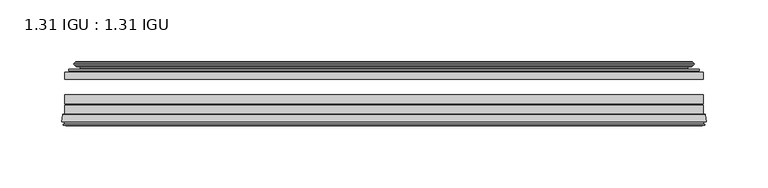
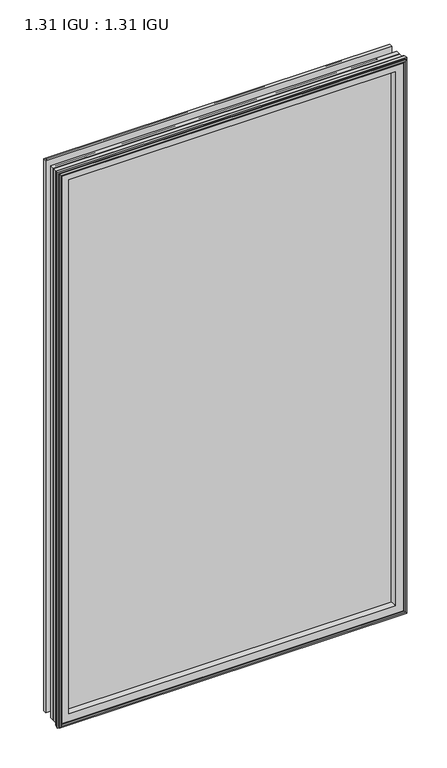
"""IFC4 building model written with IfcOpenShell, lengths in millimetres: plate geometry, 1.31 IGU : 1.31 IGU."""

from ifc_helpers import new_model, si_unit, frame, origin, place, context, project, spatial, polyline, ellipse_curve, outline, extrude, source, transform, mapped, element, save
from ifc_brep_helpers import plane_surface, cylinder_surface, revolved_surface, advanced_brep


def plate_1_31_igu_1_31_igu_747bbb54(model_context):
    return source(origin(), model_context, "Body", "SolidModel", [
        extrude(outline(polyline([(258.7575649, -44.8960875), (258.7575649, -50.4332875), (-258.7625, -50.4332875), (-258.7625, -44.8960875), (258.7575649, -44.8960875)])), frame((0.0, 0.0, -14.2875), z_axis=(0.0, 0.0, 1.0), x_axis=(1.0, 0.0, 0.0)), (0.0, 0.0, 1.0), 873.1260851),
        extrude(outline(polyline([(-258.7625, -78.7796875), (-258.7625, -71.7692875), (258.7575649, -71.7692875), (258.7575649, -78.7796875), (-258.7625, -78.7796875)])), frame((0.0, 0.0, -14.2875), z_axis=(0.0, 0.0, 1.0), x_axis=(1.0, 0.0, 0.0)), (0.0, 0.0, 1.0), 873.1260851),
        extrude(outline(polyline([(-258.7625, -70.2452875), (-258.7625, -63.1332875), (258.7575649, -63.1332875), (258.7575649, -70.2452875), (-258.7625, -70.2452875)])), frame((0.0, 0.0, -14.2875), z_axis=(0.0, 0.0, 1.0), x_axis=(1.0, 0.0, 0.0)), (0.0, 0.0, 1.0), 873.1260851),
        advanced_brep(
        [(-261.3094039, -85.1296875, 861.385489), (-260.6146201, -79.4711276, 860.6907053), (-260.6146201, -79.4711276, -16.1396201), (-261.3094039, -85.1296875, -16.8344039), (-258.9218039, -87.1207518, 858.997889), (-259.3790039, -85.1296875, 859.455089), (-259.3790039, -85.1296875, -14.9040039), (-258.9218039, -87.1207518, -14.4468039), (-259.9231658, -86.8524376, 859.9992509), (-259.9231658, -86.8524376, -15.4481658), (-260.1664039, -87.7602147, 860.242489), (-260.1664039, -87.7602147, -15.6914039), (-258.1344039, -88.3046875, 858.210489), (-258.1344039, -88.3046875, -13.6594039), (-256.1024039, -87.7602147, 856.178489), (-256.1024039, -87.7602147, -11.6274039), (-256.3456421, -86.8524376, 856.4217272), (-256.3456421, -86.8524376, -11.8706421), (-257.3470039, -87.1207518, 857.423089), (-257.3470039, -87.1207518, -12.8720039), (-256.8898039, -85.1296875, 856.965889), (-256.8898039, -85.1296875, -12.4148039), (-259.8330893, -78.7796875, 859.9091744), (-259.8330893, -78.7796875, -15.3580893), (260.6146201, -79.4711276, -16.1396201), (261.3094039, -85.1296875, -16.8344039), (259.3790039, -85.1296875, -14.9040039), (258.9218039, -87.1207518, -14.4468039), (259.9231658, -86.8524376, -15.4481658), (260.1664039, -87.7602147, -15.6914039), (258.1344039, -88.3046875, -13.6594039), (256.1024039, -87.7602147, -11.6274039), (256.3456421, -86.8524376, -11.8706421), (257.3470039, -87.1207518, -12.8720039), (256.8898039, -85.1296875, -12.4148039), (259.8330893, -78.7796875, -15.3580893), (260.6146201, -79.4711276, 860.6907053), (261.3094039, -85.1296875, 861.385489), (259.3790039, -85.1296875, 859.455089), (258.9218039, -87.1207518, 858.997889), (259.9231658, -86.8524376, 859.9992509), (260.1664039, -87.7602147, 860.242489), (258.1344039, -88.3046875, 858.210489), (256.1024039, -87.7602147, 856.178489), (256.3456421, -86.8524376, 856.4217272), (257.3470039, -87.1207518, 857.423089), (256.8898039, -85.1296875, 856.965889), (259.8330893, -78.7796875, 859.9091744), (-244.4872131, -85.1296875, 844.5632982), (244.4872131, -85.1296875, 844.5632982), (244.4872131, -85.1296875, -0.0122131), (-244.4872131, -85.1296875, -0.0122131), (-241.1709362, -78.7796875, 3.3040638), (241.1709362, -78.7796875, 3.3040638), (241.1709362, -78.7796875, 841.2470213), (-241.1709362, -78.7796875, 841.2470213)],
        [
            (0, 1),
            (1, 2),
            (2, 3),
            (3, 0),
            (4, 5),
            (5, 6),
            (6, 7),
            (7, 4),
            (8, 4),
            (7, 9),
            (9, 8),
            (10, 8),
            (9, 11),
            (11, 10),
            (12, 10),
            (11, 13),
            (13, 12),
            (14, 12),
            (13, 15),
            (15, 14),
            (16, 14),
            (15, 17),
            (17, 16),
            (18, 16),
            (17, 19),
            (19, 18),
            (20, 18),
            (19, 21),
            (21, 20),
            (1, 22, ellipse_curve(frame((-259.8330893, -79.5670875, 859.9091744), z_axis=(-0.7071067811865475, 0.0, -0.7071067811865475), x_axis=(-0.7071067811865474, 0.0, 0.7071067811865476)), 1.1135518, 0.7874)),
            (22, 23),
            (23, 2, ellipse_curve(frame((-259.8330893, -79.5670875, -15.3580893), z_axis=(-0.7071067811865475, 0.0, 0.7071067811865475), x_axis=(0.7071067811865474, 0.0, 0.7071067811865476)), 1.1135518, 0.7874)),
            (2, 24),
            (24, 25),
            (25, 3),
            (6, 26),
            (26, 27),
            (27, 7),
            (27, 28),
            (28, 9),
            (28, 29),
            (29, 11),
            (29, 30),
            (30, 13),
            (30, 31),
            (31, 15),
            (31, 32),
            (32, 17),
            (32, 33),
            (33, 19),
            (33, 34),
            (34, 21),
            (23, 35),
            (35, 24, ellipse_curve(frame((259.8330893, -79.5670875, -15.3580893), z_axis=(-0.7071067811865475, 0.0, -0.7071067811865475), x_axis=(-0.7071067811865476, 0.0, 0.7071067811865474)), 1.1135518, 0.7874)),
            (24, 36),
            (36, 37),
            (37, 25),
            (26, 38),
            (38, 39),
            (39, 27),
            (39, 40),
            (40, 28),
            (40, 41),
            (41, 29),
            (41, 42),
            (42, 30),
            (42, 43),
            (43, 31),
            (43, 44),
            (44, 32),
            (44, 45),
            (45, 33),
            (45, 46),
            (46, 34),
            (35, 47),
            (47, 36, ellipse_curve(frame((259.8330893, -79.5670875, 859.9091744), z_axis=(0.7071067811865475, 0.0, -0.7071067811865475), x_axis=(-0.7071067811865474, 0.0, -0.7071067811865476)), 1.1135518, 0.7874)),
            (36, 1),
            (0, 37),
            (5, 38),
            (4, 39),
            (8, 40),
            (10, 41),
            (12, 42),
            (14, 43),
            (16, 44),
            (18, 45),
            (20, 46),
            (48, 49),
            (49, 50),
            (50, 51),
            (51, 48),
            (22, 47),
            (52, 53),
            (53, 54),
            (54, 55),
            (55, 52),
            (55, 48, ellipse_curve(frame((-233.2379182, -86.963653, 833.3140033), z_axis=(0.7071067811865475, 0.0, 0.7071067811865475), x_axis=(0.7071067811865474, 0.0, -0.7071067811865476)), 16.118937, 11.3978097)),
            (51, 52, ellipse_curve(frame((-233.2379182, -86.963653, 11.2370818), z_axis=(0.7071067811865475, 0.0, -0.7071067811865475), x_axis=(-0.7071067811865474, 0.0, -0.7071067811865476)), 16.118937, 11.3978097)),
            (50, 53, ellipse_curve(frame((233.2379182, -86.963653, 11.2370818), z_axis=(0.7071067811865475, 0.0, 0.7071067811865475), x_axis=(0.7071067811865476, 0.0, -0.7071067811865474)), 16.118937, 11.3978097)),
            (49, 54, ellipse_curve(frame((233.2379182, -86.963653, 833.3140033), z_axis=(-0.7071067811865475, 0.0, 0.7071067811865475), x_axis=(0.7071067811865474, 0.0, 0.7071067811865476)), 16.118937, 11.3978097)),
        ],
        [
            plane_surface(frame((-260.6146201, -79.4711276, 860.6907053), z_axis=(-0.9925461516413008, 0.12186934340532068, 0.0), x_axis=(0.0, 0.0, -1.0))),
            plane_surface(frame((-259.3790039, -85.1296875, 859.455089), z_axis=(-0.9746347637895997, -0.22380142361654332, 0.0), x_axis=(0.0, 0.0, -1.0))),
            plane_surface(frame((-258.9218039, -87.1207518, 858.997889), z_axis=(0.25881904510266784, 0.9659258262890289, 0.0), x_axis=(0.0, 0.0, -1.0))),
            plane_surface(frame((-259.9231658, -86.8524376, 859.9992509), z_axis=(-0.9659258262890449, 0.2588190451026083, 0.0), x_axis=(0.0, 0.0, -1.0))),
            plane_surface(frame((-260.1664039, -87.7602147, 860.242489), z_axis=(-0.2588190451025689, -0.9659258262890554, 0.0), x_axis=(0.0, 0.0, -1.0))),
            plane_surface(frame((-258.1344039, -88.3046875, 858.210489), z_axis=(0.25881904510241466, -0.9659258262890968, 0.0), x_axis=(0.0, 0.0, -1.0))),
            plane_surface(frame((-256.1024039, -87.7602147, 856.178489), z_axis=(0.9659258262890272, 0.25881904510267406, 0.0), x_axis=(0.0, 0.0, -1.0))),
            plane_surface(frame((-256.3456421, -86.8524376, 856.4217272), z_axis=(-0.25881904510234177, 0.9659258262891163, 0.0), x_axis=(0.0, 0.0, -1.0))),
            plane_surface(frame((-257.3470039, -87.1207518, 857.423089), z_axis=(0.9746347637895936, -0.2238014236165695, 0.0), x_axis=(0.0, 0.0, -1.0))),
            cylinder_surface(frame((-259.8330893, -79.5670875, 876.3010851), z_axis=(0.0, 0.0, 1.0), x_axis=(-1.0, 0.0, 0.0)), 0.7874),
            plane_surface(frame((-260.6146201, -79.4711276, -16.1396201), z_axis=(0.0, 0.12186934340531747, -0.9925461516413012), x_axis=(1.0, 0.0, 0.0))),
            plane_surface(frame((-259.3790039, -85.1296875, -14.9040039), z_axis=(0.0, -0.22380142361654648, -0.9746347637895989), x_axis=(1.0, 0.0, 0.0))),
            plane_surface(frame((-258.9218039, -87.1207518, -14.4468039), z_axis=(0.0, 0.9659258262890298, 0.25881904510266474), x_axis=(1.0, 0.0, 0.0))),
            plane_surface(frame((-259.9231658, -86.8524376, -15.4481658), z_axis=(0.0, 0.25881904510260517, -0.9659258262890458), x_axis=(1.0, 0.0, 0.0))),
            plane_surface(frame((-260.1664039, -87.7602147, -15.6914039), z_axis=(0.0, -0.9659258262890563, -0.2588190451025658), x_axis=(1.0, 0.0, 0.0))),
            plane_surface(frame((-258.1344039, -88.3046875, -13.6594039), z_axis=(0.0, -0.965925826289096, 0.25881904510241777), x_axis=(1.0, 0.0, 0.0))),
            plane_surface(frame((-256.1024039, -87.7602147, -11.6274039), z_axis=(0.0, 0.2588190451026772, 0.9659258262890265), x_axis=(1.0, 0.0, 0.0))),
            plane_surface(frame((-256.3456421, -86.8524376, -11.8706421), z_axis=(0.0, 0.9659258262891154, -0.2588190451023449), x_axis=(1.0, 0.0, 0.0))),
            plane_surface(frame((-257.3470039, -87.1207518, -12.8720039), z_axis=(0.0, -0.22380142361656633, 0.9746347637895943), x_axis=(1.0, 0.0, 0.0))),
            cylinder_surface(frame((-276.225, -79.5670875, -15.3580893), z_axis=(-1.0, 0.0, 0.0), x_axis=(0.0, 0.0, -1.0)), 0.7874),
            plane_surface(frame((260.6146201, -79.4711276, -16.1396201), z_axis=(0.9925461516413017, 0.12186934340531425, 0.0), x_axis=(0.0, 0.0, 1.0))),
            plane_surface(frame((259.3790039, -85.1296875, -14.9040039), z_axis=(0.9746347637895981, -0.22380142361654964, 0.0), x_axis=(0.0, 0.0, 1.0))),
            plane_surface(frame((258.9218039, -87.1207518, -14.4468039), z_axis=(-0.2588190451026616, 0.9659258262890307, 0.0), x_axis=(0.0, 0.0, 1.0))),
            plane_surface(frame((259.9231658, -86.8524376, -15.4481658), z_axis=(0.9659258262890467, 0.25881904510260206, 0.0), x_axis=(0.0, 0.0, 1.0))),
            plane_surface(frame((260.1664039, -87.7602147, -15.6914039), z_axis=(0.2588190451025627, -0.9659258262890572, 0.0), x_axis=(0.0, 0.0, 1.0))),
            plane_surface(frame((258.1344039, -88.3046875, -13.6594039), z_axis=(-0.2588190451024209, -0.9659258262890951, 0.0), x_axis=(0.0, 0.0, 1.0))),
            plane_surface(frame((256.1024039, -87.7602147, -11.6274039), z_axis=(-0.9659258262890256, 0.25881904510268033, 0.0), x_axis=(0.0, 0.0, 1.0))),
            plane_surface(frame((256.3456421, -86.8524376, -11.8706421), z_axis=(0.25881904510234804, 0.9659258262891146, 0.0), x_axis=(0.0, 0.0, 1.0))),
            plane_surface(frame((257.3470039, -87.1207518, -12.8720039), z_axis=(-0.9746347637895951, -0.22380142361656316, 0.0), x_axis=(0.0, 0.0, 1.0))),
            cylinder_surface(frame((259.8330893, -79.5670875, -31.75), z_axis=(0.0, 0.0, -1.0), x_axis=(1.0, 0.0, 0.0)), 0.7874),
            plane_surface(frame((260.6146201, -79.4711276, 860.6907053), z_axis=(0.0, 0.12186934340531747, 0.9925461516413012), x_axis=(-1.0, 0.0, 0.0))),
            plane_surface(frame((261.3094039, -85.1296875, 861.385489), z_axis=(0.0, -1.0, 0.0), x_axis=(-1.0, 0.0, 0.0))),
            plane_surface(frame((259.3790039, -85.1296875, 859.455089), z_axis=(0.0, -0.22380142361654648, 0.9746347637895989), x_axis=(-1.0, 0.0, 0.0))),
            plane_surface(frame((258.9218039, -87.1207518, 858.997889), z_axis=(0.0, 0.9659258262890298, -0.25881904510266474), x_axis=(-1.0, 0.0, 0.0))),
            plane_surface(frame((259.9231658, -86.8524376, 859.9992509), z_axis=(0.0, 0.25881904510260517, 0.9659258262890458), x_axis=(-1.0, 0.0, 0.0))),
            plane_surface(frame((260.1664039, -87.7602147, 860.242489), z_axis=(0.0, -0.9659258262890563, 0.2588190451025658), x_axis=(-1.0, 0.0, 0.0))),
            plane_surface(frame((258.1344039, -88.3046875, 858.210489), z_axis=(0.0, -0.965925826289096, -0.25881904510241777), x_axis=(-1.0, 0.0, 0.0))),
            plane_surface(frame((256.1024039, -87.7602147, 856.178489), z_axis=(0.0, 0.2588190451026772, -0.9659258262890265), x_axis=(-1.0, 0.0, 0.0))),
            plane_surface(frame((256.3456421, -86.8524376, 856.4217272), z_axis=(0.0, 0.9659258262891155, 0.25881904510234494), x_axis=(-1.0, 0.0, 0.0))),
            plane_surface(frame((257.3470039, -87.1207518, 857.423089), z_axis=(0.0, -0.22380142361656633, -0.9746347637895943), x_axis=(-1.0, 0.0, 0.0))),
            plane_surface(frame((256.8898039, -85.1296875, 856.965889), z_axis=(0.0, -1.0, 0.0), x_axis=(-1.0, 0.0, 0.0))),
            plane_surface(frame((241.1709362, -78.7796875, 841.2470213), z_axis=(0.0, 1.0, 0.0), x_axis=(-1.0, 0.0, 0.0))),
            cylinder_surface(frame((276.225, -79.5670875, 859.9091744), z_axis=(1.0, 0.0, 0.0), x_axis=(0.0, 0.0, 1.0)), 0.7874),
            revolved_surface(polyline([(-244.6357279, -86.963653, -0.1607278582187064), (-244.6357279, -86.963653, 844.7118129582187)]), (-233.2379182, -86.963653, 876.3010851), (0.0, 0.0, -1.0)),
            revolved_surface(polyline([(244.63572785821873, -86.963653, -0.16072789999999948), (-244.63572785821873, -86.963653, -0.16072789999999948)]), (-276.225, -86.963653, 11.2370818), (1.0, 0.0, 0.0)),
            revolved_surface(polyline([(244.6357279, -86.963653, 844.7118129582187), (244.6357279, -86.963653, -0.16072785821874191)]), (233.2379182, -86.963653, -31.75), (0.0, 0.0, 1.0)),
            revolved_surface(polyline([(-244.63572785821873, -86.963653, 844.711813), (244.63572785821873, -86.963653, 844.711813)]), (276.225, -86.963653, 833.3140033), (-1.0, 0.0, 0.0)),
        ],
        [
            (0, [[1, 2, 3, 4]]),
            (1, [[5, 6, 7, 8]]),
            (2, [[9, -8, 10, 11]]),
            (3, [[12, -11, 13, 14]]),
            (4, [[15, -14, 16, 17]]),
            (5, [[18, -17, 19, 20]]),
            (6, [[21, -20, 22, 23]]),
            (7, [[24, -23, 25, 26]]),
            (8, [[27, -26, 28, 29]]),
            (9, [[30, 31, 32, -2]]),
            (10, [[-3, 33, 34, 35]]),
            (11, [[-7, 36, 37, 38]]),
            (12, [[-10, -38, 39, 40]]),
            (13, [[-13, -40, 41, 42]]),
            (14, [[-16, -42, 43, 44]]),
            (15, [[-19, -44, 45, 46]]),
            (16, [[-22, -46, 47, 48]]),
            (17, [[-25, -48, 49, 50]]),
            (18, [[-28, -50, 51, 52]]),
            (19, [[-32, 53, 54, -33]]),
            (20, [[-34, 55, 56, 57]]),
            (21, [[-37, 58, 59, 60]]),
            (22, [[-39, -60, 61, 62]]),
            (23, [[-41, -62, 63, 64]]),
            (24, [[-43, -64, 65, 66]]),
            (25, [[-45, -66, 67, 68]]),
            (26, [[-47, -68, 69, 70]]),
            (27, [[-49, -70, 71, 72]]),
            (28, [[-51, -72, 73, 74]]),
            (29, [[-54, 75, 76, -55]]),
            (30, [[-56, 77, -1, 78]]),
            (31, [[-35, -57, -78, -4], [79, -58, -36, -6]]),
            (32, [[-59, -79, -5, 80]]),
            (33, [[-61, -80, -9, 81]]),
            (34, [[-63, -81, -12, 82]]),
            (35, [[-65, -82, -15, 83]]),
            (36, [[-67, -83, -18, 84]]),
            (37, [[-69, -84, -21, 85]]),
            (38, [[-71, -85, -24, 86]]),
            (39, [[-73, -86, -27, 87]]),
            (40, [[-52, -74, -87, -29], [88, 89, 90, 91]]),
            (41, [[92, -75, -53, -31], [93, 94, 95, 96]]),
            (42, [[-76, -92, -30, -77]]),
            (43, [[97, -91, 98, -96]]),
            (44, [[-98, -90, 99, -93]]),
            (45, [[-99, -89, 100, -94]]),
            (46, [[-100, -88, -97, -95]]),
        ],
    ),
        advanced_brep(
        [(-249.4171755, -37.7373382, 849.4932606), (-244.4755426, -36.3108875, 844.5516277), (-244.4755426, -36.3108875, -0.0005426), (-249.4171755, -37.7373382, -4.9421755), (-249.2520702, -36.9605789, 849.3281553), (-249.2520702, -36.9605789, -4.7770702), (-249.8475559, -36.4771203, 849.923641), (-249.8475559, -36.4771203, -5.3725559), (-251.1121917, -37.766076, 851.1882768), (-251.1121917, -37.766076, -6.6371917), (-251.1013749, -38.8797852, 851.17746), (-251.1013749, -38.8797852, -6.6263749), (-249.8198897, -40.1361433, 849.8959748), (-249.8198897, -40.1361433, -5.3448897), (-249.2148829, -39.649943, 849.290968), (-249.2148829, -39.649943, -4.7398829), (-249.7688972, -39.0959287, 849.8449823), (-249.7688972, -39.0959287, -5.2938972), (-247.4830887, -38.7029881, 847.5591739), (-247.4830887, -38.7029881, -3.0080887), (-246.0240157, -40.2107282, 846.1001008), (-246.0240157, -40.2107282, -1.5490157), (-246.3205976, -41.651269, 846.3966827), (-246.3205976, -41.651269, -1.8455976), (-247.0918221, -42.2798875, 847.1679072), (-247.0918221, -42.2798875, -2.6168221), (-255.3957984, -43.4871542, 855.4718835), (-255.1205969, -42.2798875, 855.1966821), (-255.1205969, -42.2798875, -10.6455969), (-255.3957984, -43.4871542, -10.9207984), (-251.9382297, -44.8960875, 852.0143149), (-251.9382297, -44.8960875, -7.4632297), (-240.8406059, -44.023302, 840.9166911), (-241.1959439, -44.8960875, 841.272029), (-241.1959439, -44.8960875, 3.2790561), (-240.8406059, -44.023302, 3.6343941), (-241.511804, -43.3681812, 841.5878891), (-241.511804, -43.3681812, 2.963196), (-243.1525946, -40.6686056, 843.2286797), (-243.1525946, -40.6686056, 1.3224054), (244.4755426, -36.3108875, -0.0005426), (249.4171755, -37.7373382, -4.9421755), (249.2520702, -36.9605789, -4.7770702), (249.8475559, -36.4771203, -5.3725559), (251.1121917, -37.766076, -6.6371917), (251.1013749, -38.8797852, -6.6263749), (249.8198897, -40.1361433, -5.3448897), (249.2148829, -39.649943, -4.7398829), (249.7688972, -39.0959287, -5.2938972), (247.4830887, -38.7029881, -3.0080887), (246.0240157, -40.2107282, -1.5490157), (246.3205976, -41.651269, -1.8455976), (247.0918221, -42.2798875, -2.6168221), (255.1205969, -42.2798875, -10.6455969), (255.3957984, -43.4871542, -10.9207984), (251.9382297, -44.8960875, -7.4632297), (241.1959439, -44.8960875, 3.2790561), (240.8406059, -44.023302, 3.6343941), (241.511804, -43.3681812, 2.963196), (243.1525946, -40.6686056, 1.3224054), (244.4755426, -36.3108875, 844.5516277), (249.4171755, -37.7373382, 849.4932606), (249.2520702, -36.9605789, 849.3281553), (249.8475559, -36.4771203, 849.923641), (251.1121917, -37.766076, 851.1882768), (251.1013749, -38.8797852, 851.17746), (249.8198897, -40.1361433, 849.8959748), (249.2148829, -39.649943, 849.290968), (249.7688972, -39.0959287, 849.8449823), (247.4830887, -38.7029881, 847.5591739), (246.0240157, -40.2107282, 846.1001008), (246.3205976, -41.651269, 846.3966827), (247.0918221, -42.2798875, 847.1679072), (255.1205969, -42.2798875, 855.1966821), (255.3957984, -43.4871542, 855.4718835), (251.9382297, -44.8960875, 852.0143149), (241.1959439, -44.8960875, 841.272029), (240.8406059, -44.023302, 840.9166911), (241.511804, -43.3681812, 841.5878891), (243.1525946, -40.6686056, 843.2286797)],
        [
            (0, 1),
            (1, 2),
            (2, 3),
            (3, 0),
            (4, 0),
            (3, 5),
            (5, 4),
            (6, 4, ellipse_curve(frame((-249.5725871, -36.746901, 849.6486723), z_axis=(-0.7071067811865475, 0.0, -0.7071067811865475), x_axis=(-0.7071067811865474, 0.0, 0.7071067811865476)), 0.5447741, 0.3852135)),
            (5, 7, ellipse_curve(frame((-249.5725871, -36.746901, -5.0975871), z_axis=(-0.7071067811865475, 0.0, 0.7071067811865475), x_axis=(0.7071067811865474, 0.0, 0.7071067811865476)), 0.5447741, 0.3852135)),
            (7, 6),
            (8, 6),
            (7, 9),
            (9, 8),
            (10, 8, ellipse_curve(frame((-250.5501387, -38.3175243, 850.6262238), z_axis=(-0.7071067811865475, 0.0, -0.7071067811865475), x_axis=(-0.7071067811865474, 0.0, 0.7071067811865476)), 1.1135518, 0.7874)),
            (9, 11, ellipse_curve(frame((-250.5501387, -38.3175243, -6.0751387), z_axis=(-0.7071067811865475, 0.0, 0.7071067811865475), x_axis=(0.7071067811865474, 0.0, 0.7071067811865476)), 1.1135518, 0.7874)),
            (11, 10),
            (12, 10),
            (11, 13),
            (13, 12),
            (14, 12, ellipse_curve(frame((-249.5462922, -39.8570738, 849.6223773), z_axis=(-0.7071067811865475, 0.0, -0.7071067811865475), x_axis=(-0.7071067811865474, 0.0, 0.7071067811865476)), 0.552694, 0.3908137)),
            (13, 15, ellipse_curve(frame((-249.5462922, -39.8570738, -5.0712922), z_axis=(-0.7071067811865475, 0.0, 0.7071067811865475), x_axis=(0.7071067811865474, 0.0, 0.7071067811865476)), 0.552694, 0.3908137)),
            (15, 14),
            (16, 14),
            (15, 17),
            (17, 16),
            (18, 16),
            (17, 19),
            (19, 18),
            (20, 18, ellipse_curve(frame((-247.2679261, -39.954629, 847.3440112), z_axis=(0.7071067811865475, 0.0, 0.7071067811865475), x_axis=(0.7071067811865474, 0.0, -0.7071067811865476)), 1.7960512, 1.27)),
            (19, 21, ellipse_curve(frame((-247.2679261, -39.954629, -2.7929261), z_axis=(0.7071067811865475, 0.0, -0.7071067811865475), x_axis=(-0.7071067811865474, 0.0, -0.7071067811865476)), 1.7960512, 1.27)),
            (21, 20),
            (22, 20),
            (21, 23),
            (23, 22),
            (24, 22, ellipse_curve(frame((-247.0918221, -41.4924875, 847.1679072), z_axis=(0.7071067811865475, 0.0, 0.7071067811865475), x_axis=(0.7071067811865474, 0.0, -0.7071067811865476)), 1.1135518, 0.7874)),
            (23, 25, ellipse_curve(frame((-247.0918221, -41.4924875, -2.6168221), z_axis=(0.7071067811865475, 0.0, -0.7071067811865475), x_axis=(-0.7071067811865474, 0.0, -0.7071067811865476)), 1.1135518, 0.7874)),
            (25, 24),
            (26, 27, ellipse_curve(frame((-255.1205969, -42.9148875, 855.1966821), z_axis=(-0.7071067811865475, 0.0, -0.7071067811865475), x_axis=(-0.7071067811865474, 0.0, 0.7071067811865476)), 0.8980256, 0.635)),
            (27, 28),
            (28, 29, ellipse_curve(frame((-255.1205969, -42.9148875, -10.6455969), z_axis=(-0.7071067811865475, 0.0, 0.7071067811865475), x_axis=(0.7071067811865474, 0.0, 0.7071067811865476)), 0.8980256, 0.635)),
            (29, 26),
            (30, 26),
            (29, 31),
            (31, 30),
            (32, 33, ellipse_curve(frame((-241.1959439, -44.3873602, 841.272029), z_axis=(-0.7071067811865475, 0.0, -0.7071067811865475), x_axis=(-0.7071067811865474, 0.0, 0.7071067811865476)), 0.719449, 0.5087273)),
            (33, 34),
            (34, 35, ellipse_curve(frame((-241.1959439, -44.3873602, 3.2790561), z_axis=(-0.7071067811865475, 0.0, 0.7071067811865475), x_axis=(0.7071067811865474, 0.0, 0.7071067811865476)), 0.719449, 0.5087273)),
            (35, 32),
            (36, 32),
            (35, 37),
            (37, 36),
            (38, 36, ellipse_curve(frame((-237.0764298, -38.823959, 837.1525149), z_axis=(0.7071067811865475, 0.0, 0.7071067811865475), x_axis=(0.7071067811865474, 0.0, -0.7071067811865476)), 8.9802561, 6.35)),
            (37, 39, ellipse_curve(frame((-237.0764298, -38.823959, 7.3985702), z_axis=(0.7071067811865475, 0.0, -0.7071067811865475), x_axis=(-0.7071067811865474, 0.0, -0.7071067811865476)), 8.9802561, 6.35)),
            (39, 38),
            (1, 38),
            (39, 2),
            (2, 40),
            (40, 41),
            (41, 3),
            (41, 42),
            (42, 5),
            (42, 43, ellipse_curve(frame((249.5725871, -36.746901, -5.0975871), z_axis=(-0.7071067811865475, 0.0, -0.7071067811865475), x_axis=(-0.7071067811865476, 0.0, 0.7071067811865474)), 0.5447741, 0.3852135)),
            (43, 7),
            (43, 44),
            (44, 9),
            (44, 45, ellipse_curve(frame((250.5501387, -38.3175243, -6.0751387), z_axis=(-0.7071067811865475, 0.0, -0.7071067811865475), x_axis=(-0.7071067811865476, 0.0, 0.7071067811865474)), 1.1135518, 0.7874)),
            (45, 11),
            (45, 46),
            (46, 13),
            (46, 47, ellipse_curve(frame((249.5462922, -39.8570738, -5.0712922), z_axis=(-0.7071067811865475, 0.0, -0.7071067811865475), x_axis=(-0.7071067811865476, 0.0, 0.7071067811865474)), 0.552694, 0.3908137)),
            (47, 15),
            (47, 48),
            (48, 17),
            (48, 49),
            (49, 19),
            (49, 50, ellipse_curve(frame((247.2679261, -39.954629, -2.7929261), z_axis=(0.7071067811865475, 0.0, 0.7071067811865475), x_axis=(0.7071067811865476, 0.0, -0.7071067811865474)), 1.7960512, 1.27)),
            (50, 21),
            (50, 51),
            (51, 23),
            (51, 52, ellipse_curve(frame((247.0918221, -41.4924875, -2.6168221), z_axis=(0.7071067811865475, 0.0, 0.7071067811865475), x_axis=(0.7071067811865476, 0.0, -0.7071067811865474)), 1.1135518, 0.7874)),
            (52, 25),
            (28, 53),
            (53, 54, ellipse_curve(frame((255.1205969, -42.9148875, -10.6455969), z_axis=(-0.7071067811865475, 0.0, -0.7071067811865475), x_axis=(-0.7071067811865476, 0.0, 0.7071067811865474)), 0.8980256, 0.635)),
            (54, 29),
            (54, 55),
            (55, 31),
            (34, 56),
            (56, 57, ellipse_curve(frame((241.1959439, -44.3873602, 3.2790561), z_axis=(-0.7071067811865475, 0.0, -0.7071067811865475), x_axis=(-0.7071067811865476, 0.0, 0.7071067811865474)), 0.719449, 0.5087273)),
            (57, 35),
            (57, 58),
            (58, 37),
            (58, 59, ellipse_curve(frame((237.0764298, -38.823959, 7.3985702), z_axis=(0.7071067811865475, 0.0, 0.7071067811865475), x_axis=(0.7071067811865476, 0.0, -0.7071067811865474)), 8.9802561, 6.35)),
            (59, 39),
            (59, 40),
            (40, 60),
            (60, 61),
            (61, 41),
            (61, 62),
            (62, 42),
            (62, 63, ellipse_curve(frame((249.5725871, -36.746901, 849.6486723), z_axis=(0.7071067811865475, 0.0, -0.7071067811865475), x_axis=(-0.7071067811865474, 0.0, -0.7071067811865476)), 0.5447741, 0.3852135)),
            (63, 43),
            (63, 64),
            (64, 44),
            (64, 65, ellipse_curve(frame((250.5501387, -38.3175243, 850.6262238), z_axis=(0.7071067811865475, 0.0, -0.7071067811865475), x_axis=(-0.7071067811865474, 0.0, -0.7071067811865476)), 1.1135518, 0.7874)),
            (65, 45),
            (65, 66),
            (66, 46),
            (66, 67, ellipse_curve(frame((249.5462922, -39.8570738, 849.6223773), z_axis=(0.7071067811865475, 0.0, -0.7071067811865475), x_axis=(-0.7071067811865474, 0.0, -0.7071067811865476)), 0.552694, 0.3908137)),
            (67, 47),
            (67, 68),
            (68, 48),
            (68, 69),
            (69, 49),
            (69, 70, ellipse_curve(frame((247.2679261, -39.954629, 847.3440112), z_axis=(-0.7071067811865475, 0.0, 0.7071067811865475), x_axis=(0.7071067811865474, 0.0, 0.7071067811865476)), 1.7960512, 1.27)),
            (70, 50),
            (70, 71),
            (71, 51),
            (71, 72, ellipse_curve(frame((247.0918221, -41.4924875, 847.1679072), z_axis=(-0.7071067811865475, 0.0, 0.7071067811865475), x_axis=(0.7071067811865474, 0.0, 0.7071067811865476)), 1.1135518, 0.7874)),
            (72, 52),
            (53, 73),
            (73, 74, ellipse_curve(frame((255.1205969, -42.9148875, 855.1966821), z_axis=(0.7071067811865475, 0.0, -0.7071067811865475), x_axis=(-0.7071067811865474, 0.0, -0.7071067811865476)), 0.8980256, 0.635)),
            (74, 54),
            (74, 75),
            (75, 55),
            (56, 76),
            (76, 77, ellipse_curve(frame((241.1959439, -44.3873602, 841.272029), z_axis=(0.7071067811865475, 0.0, -0.7071067811865475), x_axis=(-0.7071067811865474, 0.0, -0.7071067811865476)), 0.719449, 0.5087273)),
            (77, 57),
            (77, 78),
            (78, 58),
            (78, 79, ellipse_curve(frame((237.0764298, -38.823959, 837.1525149), z_axis=(-0.7071067811865475, 0.0, 0.7071067811865475), x_axis=(0.7071067811865474, 0.0, 0.7071067811865476)), 8.9802561, 6.35)),
            (79, 59),
            (79, 60),
            (60, 1),
            (0, 61),
            (4, 62),
            (6, 63),
            (8, 64),
            (10, 65),
            (12, 66),
            (14, 67),
            (16, 68),
            (18, 69),
            (20, 70),
            (22, 71),
            (24, 72),
            (27, 73),
            (26, 74),
            (30, 75),
            (33, 76),
            (32, 77),
            (36, 78),
            (38, 79),
        ],
        [
            plane_surface(frame((-244.4755426, -36.3108875, 844.5516277), z_axis=(-0.27733649284928463, 0.9607728502273879, 0.0), x_axis=(0.0, 0.0, -1.0))),
            plane_surface(frame((-249.4171755, -37.7373382, 849.4932606), z_axis=(0.9781476007338358, -0.2079116908176177, 0.0), x_axis=(0.0, 0.0, -1.0))),
            cylinder_surface(frame((-249.5725871, -36.746901, 876.3010851), z_axis=(0.0, 0.0, 1.0), x_axis=(-1.0, 0.0, 0.0)), 0.3852135),
            plane_surface(frame((-249.8475559, -36.4771203, 849.923641), z_axis=(-0.7138087599382162, 0.7003406701280928, 0.0), x_axis=(0.0, 0.0, -1.0))),
            cylinder_surface(frame((-250.5501387, -38.3175243, 876.3010851), z_axis=(0.0, 0.0, 1.0), x_axis=(-1.0, 0.0, 0.0)), 0.7874),
            plane_surface(frame((-251.1013749, -38.8797852, 851.17746), z_axis=(-0.7000714109283732, -0.7140728391423082, 0.0), x_axis=(0.0, 0.0, -1.0))),
            cylinder_surface(frame((-249.5462922, -39.8570738, 876.3010851), z_axis=(0.0, 0.0, 1.0), x_axis=(-1.0, 0.0, 0.0)), 0.3908137),
            plane_surface(frame((-249.2148829, -39.649943, 849.290968), z_axis=(0.7071067811861126, 0.7071067811869826, 0.0), x_axis=(0.0, 0.0, -1.0))),
            plane_surface(frame((-249.7688972, -39.0959287, 849.8449823), z_axis=(0.16941940671011482, -0.9855440449974789, 0.0), x_axis=(0.0, 0.0, -1.0))),
            revolved_surface(polyline([(-248.53792610000002, -39.954629, -4.0629260828783345), (-248.53792610000002, -39.954629, 848.6140111828782)]), (-247.2679261, -39.954629, 876.3010851), (0.0, 0.0, -1.0)),
            plane_surface(frame((-246.0240157, -40.2107282, 846.1001008), z_axis=(-0.9794570432566897, 0.20165292067030202, 0.0), x_axis=(0.0, 0.0, -1.0))),
            revolved_surface(polyline([(-247.8792221, -41.4924875, -3.4042221289824965), (-247.8792221, -41.4924875, 847.9553072289824)]), (-247.0918221, -41.4924875, 876.3010851), (0.0, 0.0, -1.0)),
            cylinder_surface(frame((-255.1205969, -42.9148875, 876.3010851), z_axis=(0.0, 0.0, 1.0), x_axis=(-1.0, 0.0, 0.0)), 0.635),
            plane_surface(frame((-255.3957984, -43.4871542, 855.4718835), z_axis=(-0.37736447542757934, -0.9260648209954139, 0.0), x_axis=(0.0, 0.0, -1.0))),
            cylinder_surface(frame((-241.1959439, -44.3873602, 876.3010851), z_axis=(0.0, 0.0, 1.0), x_axis=(-1.0, 0.0, 0.0)), 0.5087273),
            plane_surface(frame((-240.8406059, -44.023302, 840.9166911), z_axis=(0.698484125849927, 0.7156255486884628, 0.0), x_axis=(0.0, 0.0, -1.0))),
            revolved_surface(polyline([(-243.4264298, -38.823959, 1.0485702148981773), (-243.4264298, -38.823959, 843.5025148851018)]), (-237.0764298, -38.823959, 876.3010851), (0.0, 0.0, -1.0)),
            plane_surface(frame((-243.1525946, -40.6686056, 843.2286797), z_axis=(0.9568763473517009, 0.2904955350411895, 0.0), x_axis=(0.0, 0.0, -1.0))),
            plane_surface(frame((-244.4755426, -36.3108875, -0.0005426), z_axis=(0.0, 0.960772850227387, -0.27733649284928774), x_axis=(1.0, 0.0, 0.0))),
            plane_surface(frame((-249.4171755, -37.7373382, -4.9421755), z_axis=(0.0, -0.20791169081761454, 0.9781476007338364), x_axis=(1.0, 0.0, 0.0))),
            cylinder_surface(frame((-276.225, -36.746901, -5.0975871), z_axis=(-1.0, 0.0, 0.0), x_axis=(0.0, 0.0, -1.0)), 0.3852135),
            plane_surface(frame((-249.8475559, -36.4771203, -5.3725559), z_axis=(0.0, 0.7003406701280904, -0.7138087599382185), x_axis=(1.0, 0.0, 0.0))),
            cylinder_surface(frame((-276.225, -38.3175243, -6.0751387), z_axis=(-1.0, 0.0, 0.0), x_axis=(0.0, 0.0, -1.0)), 0.7874),
            plane_surface(frame((-251.1013749, -38.8797852, -6.6263749), z_axis=(0.0, -0.7140728391423105, -0.7000714109283709), x_axis=(1.0, 0.0, 0.0))),
            cylinder_surface(frame((-276.225, -39.8570738, -5.0712922), z_axis=(-1.0, 0.0, 0.0), x_axis=(0.0, 0.0, -1.0)), 0.3908137),
            plane_surface(frame((-249.2148829, -39.649943, -4.7398829), z_axis=(0.0, 0.7071067811869849, 0.7071067811861103), x_axis=(1.0, 0.0, 0.0))),
            plane_surface(frame((-249.7688972, -39.0959287, -5.2938972), z_axis=(0.0, -0.9855440449974784, 0.16941940671011801), x_axis=(1.0, 0.0, 0.0))),
            revolved_surface(polyline([(248.53792608287824, -39.954629, -4.0629261), (-248.53792608287824, -39.954629, -4.0629261)]), (-276.225, -39.954629, -2.7929261), (1.0, 0.0, 0.0)),
            plane_surface(frame((-246.0240157, -40.2107282, -1.5490157), z_axis=(0.0, 0.20165292067029883, -0.9794570432566904), x_axis=(1.0, 0.0, 0.0))),
            revolved_surface(polyline([(247.87922212898252, -41.4924875, -3.4042220999999997), (-247.8792221289825, -41.4924875, -3.4042220999999997)]), (-276.225, -41.4924875, -2.6168221), (1.0, 0.0, 0.0)),
            cylinder_surface(frame((-276.225, -42.9148875, -10.6455969), z_axis=(-1.0, 0.0, 0.0), x_axis=(0.0, 0.0, -1.0)), 0.635),
            plane_surface(frame((-255.3957984, -43.4871542, -10.9207984), z_axis=(0.0, -0.9260648209954151, -0.37736447542757634), x_axis=(1.0, 0.0, 0.0))),
            cylinder_surface(frame((-276.225, -44.3873602, 3.2790561), z_axis=(-1.0, 0.0, 0.0), x_axis=(0.0, 0.0, -1.0)), 0.5087273),
            plane_surface(frame((-240.8406059, -44.023302, 3.6343941), z_axis=(0.0, 0.7156255486884651, 0.6984841258499247), x_axis=(1.0, 0.0, 0.0))),
            revolved_surface(polyline([(243.42642978510185, -38.823959, 1.0485702000000003), (-243.42642978510185, -38.823959, 1.0485702000000003)]), (-276.225, -38.823959, 7.3985702), (1.0, 0.0, 0.0)),
            plane_surface(frame((-243.1525946, -40.6686056, 1.3224054), z_axis=(0.0, 0.29049553504119263, 0.9568763473517), x_axis=(1.0, 0.0, 0.0))),
            plane_surface(frame((244.4755426, -36.3108875, -0.0005426), z_axis=(0.27733649284929085, 0.9607728502273861, 0.0), x_axis=(0.0, 0.0, 1.0))),
            plane_surface(frame((249.4171755, -37.7373382, -4.9421755), z_axis=(-0.9781476007338371, -0.20791169081761138, 0.0), x_axis=(0.0, 0.0, 1.0))),
            cylinder_surface(frame((249.5725871, -36.746901, -31.75), z_axis=(0.0, 0.0, -1.0), x_axis=(1.0, 0.0, 0.0)), 0.3852135),
            plane_surface(frame((249.8475559, -36.4771203, -5.3725559), z_axis=(0.7138087599382208, 0.7003406701280882, 0.0), x_axis=(0.0, 0.0, 1.0))),
            cylinder_surface(frame((250.5501387, -38.3175243, -31.75), z_axis=(0.0, 0.0, -1.0), x_axis=(1.0, 0.0, 0.0)), 0.7874),
            plane_surface(frame((251.1013749, -38.8797852, -6.6263749), z_axis=(0.7000714109283687, -0.7140728391423128, 0.0), x_axis=(0.0, 0.0, 1.0))),
            cylinder_surface(frame((249.5462922, -39.8570738, -31.75), z_axis=(0.0, 0.0, -1.0), x_axis=(1.0, 0.0, 0.0)), 0.3908137),
            plane_surface(frame((249.2148829, -39.649943, -4.7398829), z_axis=(-0.7071067811861079, 0.7071067811869872, 0.0), x_axis=(0.0, 0.0, 1.0))),
            plane_surface(frame((249.7688972, -39.0959287, -5.2938972), z_axis=(-0.1694194067101212, -0.9855440449974778, 0.0), x_axis=(0.0, 0.0, 1.0))),
            revolved_surface(polyline([(248.53792610000002, -39.954629, 848.6140111828782), (248.53792610000002, -39.954629, -4.062926082878235)]), (247.2679261, -39.954629, -31.75), (0.0, 0.0, 1.0)),
            plane_surface(frame((246.0240157, -40.2107282, -1.5490157), z_axis=(0.979457043256691, 0.20165292067029564, 0.0), x_axis=(0.0, 0.0, 1.0))),
            revolved_surface(polyline([(247.8792221, -41.4924875, 847.9553072289824), (247.8792221, -41.4924875, -3.404222128982486)]), (247.0918221, -41.4924875, -31.75), (0.0, 0.0, 1.0)),
            cylinder_surface(frame((255.1205969, -42.9148875, -31.75), z_axis=(0.0, 0.0, -1.0), x_axis=(1.0, 0.0, 0.0)), 0.635),
            plane_surface(frame((255.3957984, -43.4871542, -10.9207984), z_axis=(0.37736447542757334, -0.9260648209954163, 0.0), x_axis=(0.0, 0.0, 1.0))),
            cylinder_surface(frame((241.1959439, -44.3873602, -31.75), z_axis=(0.0, 0.0, -1.0), x_axis=(1.0, 0.0, 0.0)), 0.5087273),
            plane_surface(frame((240.8406059, -44.023302, 3.6343941), z_axis=(-0.6984841258499224, 0.7156255486884673, 0.0), x_axis=(0.0, 0.0, 1.0))),
            revolved_surface(polyline([(243.4264298, -38.823959, 843.5025148851018), (243.4264298, -38.823959, 1.0485702148981417)]), (237.0764298, -38.823959, -31.75), (0.0, 0.0, 1.0)),
            plane_surface(frame((243.1525946, -40.6686056, 1.3224054), z_axis=(-0.9568763473516991, 0.29049553504119574, 0.0), x_axis=(0.0, 0.0, 1.0))),
            plane_surface(frame((244.4755426, -36.3108875, 844.5516277), z_axis=(0.0, 0.960772850227387, 0.27733649284928774), x_axis=(-1.0, 0.0, 0.0))),
            plane_surface(frame((249.4171755, -37.7373382, 849.4932606), z_axis=(0.0, -0.20791169081761454, -0.9781476007338364), x_axis=(-1.0, 0.0, 0.0))),
            cylinder_surface(frame((276.225, -36.746901, 849.6486723), z_axis=(1.0, 0.0, 0.0), x_axis=(0.0, 0.0, 1.0)), 0.3852135),
            plane_surface(frame((249.8475559, -36.4771203, 849.923641), z_axis=(0.0, 0.7003406701280904, 0.7138087599382185), x_axis=(-1.0, 0.0, 0.0))),
            cylinder_surface(frame((276.225, -38.3175243, 850.6262238), z_axis=(1.0, 0.0, 0.0), x_axis=(0.0, 0.0, 1.0)), 0.7874),
            plane_surface(frame((251.1013749, -38.8797852, 851.17746), z_axis=(0.0, -0.7140728391423106, 0.700071410928371), x_axis=(-1.0, 0.0, 0.0))),
            cylinder_surface(frame((276.225, -39.8570738, 849.6223773), z_axis=(1.0, 0.0, 0.0), x_axis=(0.0, 0.0, 1.0)), 0.3908137),
            plane_surface(frame((249.2148829, -39.649943, 849.290968), z_axis=(0.0, 0.7071067811869849, -0.7071067811861103), x_axis=(-1.0, 0.0, 0.0))),
            plane_surface(frame((249.7688972, -39.0959287, 849.8449823), z_axis=(0.0, -0.9855440449974784, -0.16941940671011801), x_axis=(-1.0, 0.0, 0.0))),
            revolved_surface(polyline([(-248.53792608287824, -39.954629, 848.6140111999999), (248.53792608287824, -39.954629, 848.6140111999999)]), (276.225, -39.954629, 847.3440112), (-1.0, 0.0, 0.0)),
            plane_surface(frame((246.0240157, -40.2107282, 846.1001008), z_axis=(0.0, 0.20165292067029883, 0.9794570432566904), x_axis=(-1.0, 0.0, 0.0))),
            revolved_surface(polyline([(-247.87922212898252, -41.4924875, 847.9553072), (247.8792221289825, -41.4924875, 847.9553072)]), (276.225, -41.4924875, 847.1679072), (-1.0, 0.0, 0.0)),
            plane_surface(frame((247.0918221, -42.2798875, 847.1679072), z_axis=(0.0, 1.0, 0.0), x_axis=(-1.0, 0.0, 0.0))),
            cylinder_surface(frame((276.225, -42.9148875, 855.1966821), z_axis=(1.0, 0.0, 0.0), x_axis=(0.0, 0.0, 1.0)), 0.635),
            plane_surface(frame((255.3957984, -43.4871542, 855.4718835), z_axis=(0.0, -0.9260648209954151, 0.37736447542757634), x_axis=(-1.0, 0.0, 0.0))),
            plane_surface(frame((251.9382297, -44.8960875, 852.0143149), z_axis=(0.0, -1.0, 0.0), x_axis=(-1.0, 0.0, 0.0))),
            cylinder_surface(frame((276.225, -44.3873602, 841.272029), z_axis=(1.0, 0.0, 0.0), x_axis=(0.0, 0.0, 1.0)), 0.5087273),
            plane_surface(frame((240.8406059, -44.023302, 840.9166911), z_axis=(0.0, 0.7156255486884651, -0.6984841258499247), x_axis=(-1.0, 0.0, 0.0))),
            revolved_surface(polyline([(-243.42642978510185, -38.823959, 843.5025149), (243.42642978510185, -38.823959, 843.5025149)]), (276.225, -38.823959, 837.1525149), (-1.0, 0.0, 0.0)),
            plane_surface(frame((243.1525946, -40.6686056, 843.2286797), z_axis=(0.0, 0.29049553504119263, -0.9568763473517), x_axis=(-1.0, 0.0, 0.0))),
        ],
        [
            (0, [[1, 2, 3, 4]]),
            (1, [[5, -4, 6, 7]]),
            (2, [[8, -7, 9, 10]]),
            (3, [[11, -10, 12, 13]]),
            (4, [[14, -13, 15, 16]]),
            (5, [[17, -16, 18, 19]]),
            (6, [[20, -19, 21, 22]]),
            (7, [[23, -22, 24, 25]]),
            (8, [[26, -25, 27, 28]]),
            (9, [[29, -28, 30, 31]]),
            (10, [[32, -31, 33, 34]]),
            (11, [[35, -34, 36, 37]]),
            (12, [[38, 39, 40, 41]]),
            (13, [[42, -41, 43, 44]]),
            (14, [[45, 46, 47, 48]]),
            (15, [[49, -48, 50, 51]]),
            (16, [[52, -51, 53, 54]]),
            (17, [[55, -54, 56, -2]]),
            (18, [[-3, 57, 58, 59]]),
            (19, [[-6, -59, 60, 61]]),
            (20, [[-9, -61, 62, 63]]),
            (21, [[-12, -63, 64, 65]]),
            (22, [[-15, -65, 66, 67]]),
            (23, [[-18, -67, 68, 69]]),
            (24, [[-21, -69, 70, 71]]),
            (25, [[-24, -71, 72, 73]]),
            (26, [[-27, -73, 74, 75]]),
            (27, [[-30, -75, 76, 77]]),
            (28, [[-33, -77, 78, 79]]),
            (29, [[-36, -79, 80, 81]]),
            (30, [[-40, 82, 83, 84]]),
            (31, [[-43, -84, 85, 86]]),
            (32, [[-47, 87, 88, 89]]),
            (33, [[-50, -89, 90, 91]]),
            (34, [[-53, -91, 92, 93]]),
            (35, [[-56, -93, 94, -57]]),
            (36, [[-58, 95, 96, 97]]),
            (37, [[-60, -97, 98, 99]]),
            (38, [[-62, -99, 100, 101]]),
            (39, [[-64, -101, 102, 103]]),
            (40, [[-66, -103, 104, 105]]),
            (41, [[-68, -105, 106, 107]]),
            (42, [[-70, -107, 108, 109]]),
            (43, [[-72, -109, 110, 111]]),
            (44, [[-74, -111, 112, 113]]),
            (45, [[-76, -113, 114, 115]]),
            (46, [[-78, -115, 116, 117]]),
            (47, [[-80, -117, 118, 119]]),
            (48, [[-83, 120, 121, 122]]),
            (49, [[-85, -122, 123, 124]]),
            (50, [[-88, 125, 126, 127]]),
            (51, [[-90, -127, 128, 129]]),
            (52, [[-92, -129, 130, 131]]),
            (53, [[-94, -131, 132, -95]]),
            (54, [[-96, 133, -1, 134]]),
            (55, [[-98, -134, -5, 135]]),
            (56, [[-100, -135, -8, 136]]),
            (57, [[-102, -136, -11, 137]]),
            (58, [[-104, -137, -14, 138]]),
            (59, [[-106, -138, -17, 139]]),
            (60, [[-108, -139, -20, 140]]),
            (61, [[-110, -140, -23, 141]]),
            (62, [[-112, -141, -26, 142]]),
            (63, [[-114, -142, -29, 143]]),
            (64, [[-116, -143, -32, 144]]),
            (65, [[-118, -144, -35, 145]]),
            (66, [[146, -120, -82, -39], [-81, -119, -145, -37]]),
            (67, [[-121, -146, -38, 147]]),
            (68, [[-123, -147, -42, 148]]),
            (69, [[-86, -124, -148, -44], [149, -125, -87, -46]]),
            (70, [[-126, -149, -45, 150]]),
            (71, [[-128, -150, -49, 151]]),
            (72, [[-130, -151, -52, 152]]),
            (73, [[-132, -152, -55, -133]]),
        ],
    ),
    ])


if __name__ == "__main__":
    model = new_model("IFC4")
    model_context = context("Model", 3, world=origin())
    ifc_project = project(units=[si_unit("LENGTHUNIT", "METRE", prefix="MILLI")], contexts=[model_context])
    site = spatial("IfcSite", under=ifc_project)
    building = spatial("IfcBuilding", under=site)
    placement = place(None, origin())
    plate_1_31_igu_1_31_igu_shape = plate_1_31_igu_1_31_igu_747bbb54(model_context)
    element("IfcPlate", 1, ObjectType="1.31 IGU : 1.31 IGU", at=placement, inside=building, context=model_context, shape_type="MappedRepresentation", body=[
        mapped(plate_1_31_igu_1_31_igu_shape, transform((0.0, 0.0, 0.0), x_axis=(1.0, 0.0, 0.0), y_axis=(0.0, 1.0, 0.0), z_axis=(0.0, 0.0, 1.0))),
    ])
    save(model, "model.ifc")
